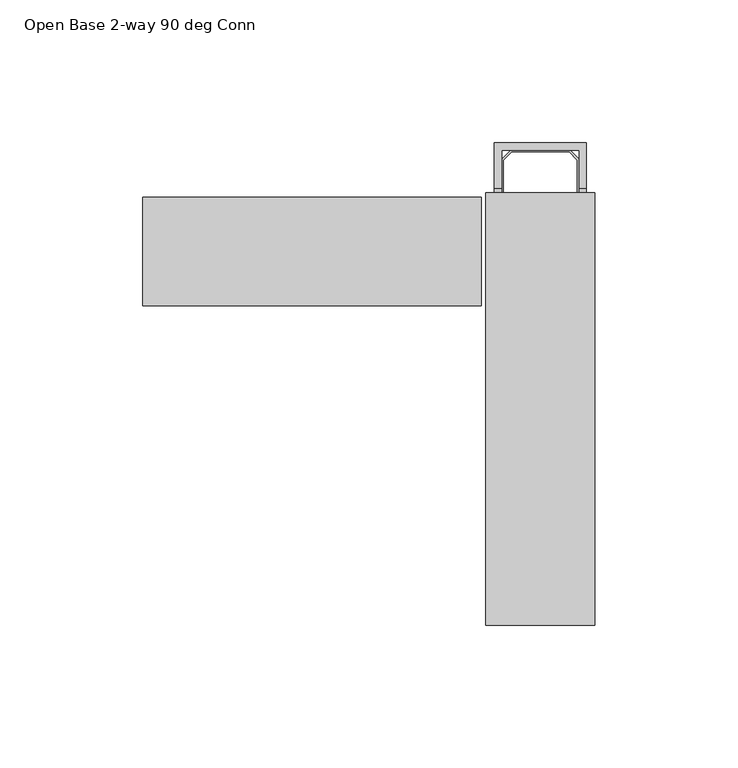
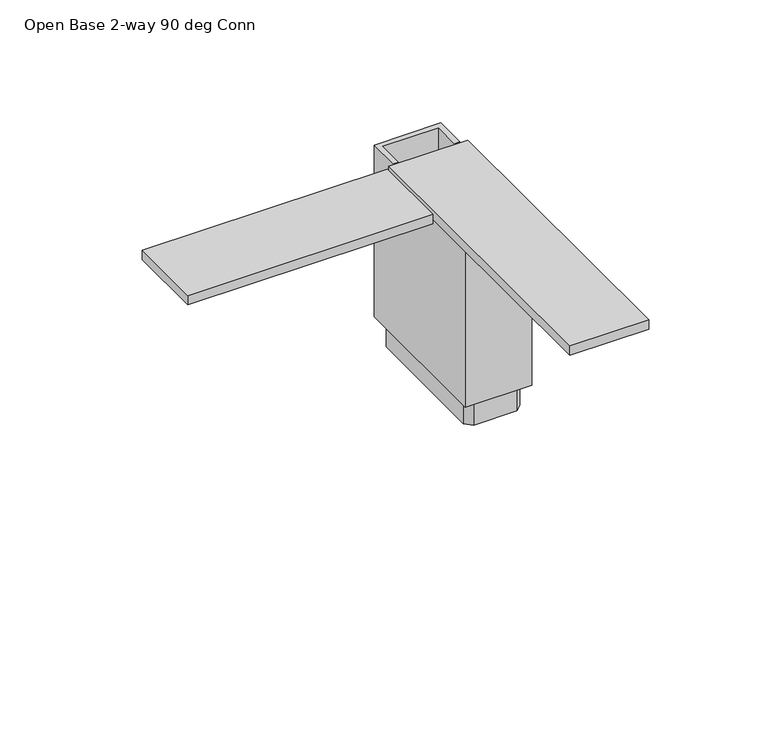
"""IFC4 building model written with IfcOpenShell, lengths in millimetres: furniture geometry, Open Base 2-way 90 deg Conn."""

import ifcopenshell
import ifcopenshell.guid

model = None  # the IFC model being written
_history = None  # IfcOwnerHistory: only IFC2X3 demands one
_inside = {}  # id of a spatial element -> (the spatial element, [elements in it])
_under = {}  # id of a project, library or spatial element -> (it, [spatial elements below it])
_declared = {}  # id of a project -> (the project, [libraries it declares])
_typed = {}  # id of a type object -> (the type object, [elements of that type])
_made_of = {}  # id of a material, layer set ... -> (it, [elements and type objects made of it])


def new_model(schema):
    """Start an empty IFC model of exactly this schema.

    Asked for "IFC4X3", IfcOpenShell would pick the latest addendum, in which some entities
    have other attributes; the version numbers below select the first issue.
    IFC2X3 requires an IfcOwnerHistory on every rooted entity: one is made here for all.
    """
    global model, _history
    if schema == "IFC4X3":
        model = ifcopenshell.file(schema_version=(4, 3, 0, 0))
    else:
        model = ifcopenshell.file(schema=schema)
    _inside.clear()
    _under.clear()
    _declared.clear()
    _typed.clear()
    _made_of.clear()
    _history = None
    if model.schema == "IFC2X3":
        org = make("IfcOrganization", Name="unknown")
        user = make(
            "IfcPersonAndOrganization",
            ThePerson=make("IfcPerson", FamilyName="unknown"),
            TheOrganization=org,
        )
        app = make(
            "IfcApplication",
            ApplicationDeveloper=org,
            Version="unknown",
            ApplicationFullName="unknown",
            ApplicationIdentifier="unknown",
        )
        _history = make(
            "IfcOwnerHistory",
            OwningUser=user,
            OwningApplication=app,
            ChangeAction="ADDED",
            CreationDate=0,
        )
    return model


def make(cls, **values):
    """One entity of the class cls with the attributes given. An attribute that is None is left unset."""
    return model.create_entity(
        cls, **{name: value for name, value in values.items() if value is not None}
    )


def rooted(cls, **values):
    """An entity with a GlobalId (a new one), such as an element, a storey or a relation."""
    return make(cls, GlobalId=ifcopenshell.guid.new(), OwnerHistory=_history, **values)


def si_unit(unit_type, name, prefix=None):
    """IfcSIUnit, for example si_unit("LENGTHUNIT", "METRE", prefix="MILLI")."""
    return make("IfcSIUnit", UnitType=unit_type, Prefix=prefix, Name=name)


def assignment(units):
    """IfcUnitAssignment: the units of a project."""
    return None if units is None else make("IfcUnitAssignment", Units=units)


def point(xyz):
    """IfcCartesianPoint."""
    return None if xyz is None else make("IfcCartesianPoint", Coordinates=xyz)


def direction(xyz):
    """IfcDirection."""
    return None if xyz is None else make("IfcDirection", DirectionRatios=xyz)


def frame(location, z_axis=None, x_axis=None):
    """IfcAxis2Placement3D, a coordinate frame: its origin and axes. An axis left out is left unset."""
    return make(
        "IfcAxis2Placement3D",
        Location=point(location),
        Axis=direction(z_axis),
        RefDirection=direction(x_axis),
    )


def origin():
    """The frame at (0, 0, 0) with its axes left unset."""
    return frame((0.0, 0.0, 0.0))


def origin_with_axes():
    """The frame at (0, 0, 0) with the z axis (0, 0, 1) and the x axis (1, 0, 0) written out."""
    return frame((0.0, 0.0, 0.0), z_axis=(0.0, 0.0, 1.0), x_axis=(1.0, 0.0, 0.0))


def place(relative_to, where):
    """IfcLocalPlacement: puts the frame where relative to a parent placement (None: the world)."""
    return make(
        "IfcLocalPlacement", PlacementRelTo=relative_to, RelativePlacement=where
    )


def context(
    kind, dimensions, precision=None, world=None, true_north=None, identifier=None
):
    """IfcGeometricRepresentationContext, for example the 3D "Model" context."""
    return make(
        "IfcGeometricRepresentationContext",
        ContextIdentifier=identifier,
        ContextType=kind,
        CoordinateSpaceDimension=dimensions,
        Precision=precision,
        WorldCoordinateSystem=world,
        TrueNorth=true_north,
    )


def project(units=None, contexts=None):
    """IfcProject with its units and contexts."""
    return rooted(
        "IfcProject",
        Name="project",
        RepresentationContexts=contexts,
        UnitsInContext=assignment(units),
    )


def spatial(cls, under=None, at=None, **own):
    """A site, building, storey or space (cls), placed at a placement, below another one or the project."""
    s = rooted(cls, ObjectPlacement=at, **own)
    if under is not None:
        _under.setdefault(under.id(), (under, []))[1].append(s)
    return s


def polyline(points):
    """IfcPolyline through the points."""
    return make("IfcPolyline", Points=[point(p) for p in points])


def outline(outer, holes=None, kind="AREA"):
    """IfcArbitraryClosedProfileDef: a profile drawn as a closed curve; with holes, ...WithVoids."""
    if holes is None:
        return make("IfcArbitraryClosedProfileDef", ProfileType=kind, OuterCurve=outer)
    return make(
        "IfcArbitraryProfileDefWithVoids",
        ProfileType=kind,
        OuterCurve=outer,
        InnerCurves=holes,
    )


def extrude(swept, where, along, depth):
    """IfcExtrudedAreaSolid: the profile swept, set in the frame where, extruded along a direction by depth."""
    return make(
        "IfcExtrudedAreaSolid",
        SweptArea=swept,
        Position=where,
        ExtrudedDirection=direction(along),
        Depth=depth,
    )


def faces_of(points, faces, orient=None, outer=None):
    """IfcFace entities. A face is a list of loops; a loop is a list of indices into points, from 0.

    orient and outer hold one flag for each loop. By default every Orientation is true, the
    first loop of a face is its IfcFaceOuterBound and the others are IfcFaceBound.
    """
    made = []
    for i, loops in enumerate(faces):
        bounds = []
        for j, loop in enumerate(loops):
            is_outer = j == 0 if outer is None else outer[i][j]
            bounds.append(
                make(
                    "IfcFaceOuterBound" if is_outer else "IfcFaceBound",
                    Bound=make("IfcPolyLoop", Polygon=[points[k] for k in loop]),
                    Orientation=True if orient is None else orient[i][j],
                )
            )
        made.append(make("IfcFace", Bounds=bounds))
    return made


def faceted_brep(points, faces, orient=None, outer=None, voids=None):
    """IfcFacetedBrep: a solid bounded by flat faces; with voids (closed shells), ...WithVoids."""
    shared = [point(p) for p in points]
    hull = make("IfcClosedShell", CfsFaces=faces_of(shared, faces, orient, outer))
    if voids is None:
        return make("IfcFacetedBrep", Outer=hull)
    return make(
        "IfcFacetedBrepWithVoids",
        Outer=hull,
        Voids=[
            make(cls, CfsFaces=faces_of(shared, fs, o, b)) for cls, fs, o, b in voids
        ],
    )


def shape(context_of_items, identifier, shape_type, items):
    """IfcShapeRepresentation: the items that make up one representation, for example the "Body"."""
    return make(
        "IfcShapeRepresentation",
        ContextOfItems=context_of_items,
        RepresentationIdentifier=identifier,
        RepresentationType=shape_type,
        Items=items,
    )


def source(mapping_origin, context_of_items, identifier, shape_type, items):
    """IfcRepresentationMap: a shape defined once, which mapped items show again and again."""
    return make(
        "IfcRepresentationMap",
        MappingOrigin=mapping_origin,
        MappedRepresentation=shape(context_of_items, identifier, shape_type, items),
    )


def transform(
    local_origin,
    x_axis=None,
    y_axis=None,
    z_axis=None,
    scale=None,
    scale2=None,
    scale3=None,
    uniform=True,
):
    """IfcCartesianTransformationOperator3D, or its non-uniform kind. x_axis, y_axis, z_axis: its Axis1, 2, 3."""
    if uniform:
        return make(
            "IfcCartesianTransformationOperator3D",
            Axis1=direction(x_axis),
            Axis2=direction(y_axis),
            LocalOrigin=point(local_origin),
            Scale=scale,
            Axis3=direction(z_axis),
        )
    return make(
        "IfcCartesianTransformationOperator3DnonUniform",
        Axis1=direction(x_axis),
        Axis2=direction(y_axis),
        LocalOrigin=point(local_origin),
        Scale=scale,
        Axis3=direction(z_axis),
        Scale2=scale2,
        Scale3=scale3,
    )


def mapped(mapping_source, mapping_target):
    """IfcMappedItem: shows the shape of a source again, moved by a transform."""
    return make(
        "IfcMappedItem", MappingSource=mapping_source, MappingTarget=mapping_target
    )


def made_of(thing, what):
    """Note that an element or type object is made of a material, layer set ...; save() writes the relation."""
    if what is not None:
        _made_of.setdefault(what.id(), (what, []))[1].append(thing)
    return thing


def element(
    cls,
    number,
    at=None,
    inside=None,
    cuts=None,
    type_object=None,
    material=None,
    context=None,
    identifier="Body",
    shape_type=None,
    held_by="IfcProductDefinitionShape",
    body=None,
    shapes=None,
    **own,
):
    """One element of the class cls, such as IfcWall. Its Tag is "e" and its number.

    at: its placement. inside: the storey or other place that contains it. cuts: it is an
    opening in that element (IfcRelVoidsElement). A single representation is given by context,
    identifier, shape_type and body (its items); several are given by shapes. held_by: the class
    of the entity that holds the representations. save() writes the other relations.
    """
    e = rooted(cls, Tag="e%d" % number, ObjectPlacement=at, **own)
    if body is not None:
        shapes = [shape(context, identifier, shape_type, body)]
    if shapes is not None:
        e.Representation = make(held_by, Representations=shapes)
    if inside is not None:
        _inside.setdefault(inside.id(), (inside, []))[1].append(e)
    if cuts is not None:
        rooted(
            "IfcRelVoidsElement", RelatingBuildingElement=cuts, RelatedOpeningElement=e
        )
    if type_object is not None:
        _typed.setdefault(type_object.id(), (type_object, []))[1].append(e)
    return made_of(e, material)


def aggregate(whole, parts):
    """IfcRelAggregates: a whole, such as a stair, and the parts it consists of."""
    return rooted("IfcRelAggregates", RelatingObject=whole, RelatedObjects=parts)


def save(model, path):
    """Write the relations noted so far, then the file.

    IfcRelAggregates (storeys below a building ...), IfcRelContainedInSpatialStructure (elements
    in a storey), IfcRelDefinesByType, IfcRelAssociatesMaterial and IfcRelDeclares: one each for
    every whole, place, type object, material and project.
    """
    for whole, parts in _under.values():
        aggregate(whole, parts)
    for where, things in _inside.values():
        rooted(
            "IfcRelContainedInSpatialStructure",
            RelatedElements=things,
            RelatingStructure=where,
        )
    for kind, things in _typed.values():
        rooted("IfcRelDefinesByType", RelatedObjects=things, RelatingType=kind)
    for what, things in _made_of.values():
        rooted("IfcRelAssociatesMaterial", RelatedObjects=things, RelatingMaterial=what)
    for by, libraries in _declared.values():
        rooted("IfcRelDeclares", RelatingContext=by, RelatedDefinitions=libraries)
    model.write(path)


def open_base_2_way_90_deg_conn_979a1249(model_context):
    return source(origin(), model_context, "Body", "SolidModel", [
        extrude(outline(polyline([(58.1493037, -170.1755566), (20.0493037, -170.1755566), (20.0493037, -18.6645587), (58.1493037, -18.6645587), (58.1493037, -170.1755566)])), frame((0.0, 0.0, 96.5962), z_axis=(0.0, 0.0, 1.0), x_axis=(1.0, 0.0, 0.0)), (0.0, 0.0, 1.0), 4.7498),
        extrude(outline(polyline([(18.4618035, -20.2520587), (18.4618035, -58.3520587), (-100.1688963, -58.3520587), (-100.1688963, -20.2520587), (18.4618035, -20.2520587)])), frame((0.0, 0.0, 96.5962), z_axis=(0.0, 0.0, 1.0), x_axis=(1.0, 0.0, 0.0)), (0.0, 0.0, 1.0), 4.7498),
        faceted_brep([(55.2283037, -1.2020587, 100.5586), (22.9703037, -1.2020587, 100.5586), (22.9703037, -17.0770587, 100.5586), (25.5103037, -17.0770587, 100.5586), (25.5103037, -3.7420587, 100.5586), (52.6883037, -3.7420587, 100.5586), (52.6883037, -17.0770587, 100.5586), (55.2283037, -17.0770587, 100.5586), (22.9703037, -77.4020587, 100.5586), (55.2283037, -77.4020587, 100.5586), (55.2283037, -61.5270587, 100.5586), (52.6883037, -61.5270587, 100.5586), (52.6883037, -74.8620587, 100.5586), (25.5103037, -74.8620587, 100.5586), (25.5103037, -61.5270587, 100.5586), (22.9703037, -61.5270587, 100.5586), (55.2283037, -1.2020587, 12.7), (55.2283037, -77.4020587, 12.7), (22.9703037, -77.4020587, 12.7), (22.9703037, -1.2020587, 12.7), (52.6883037, -3.7420587, 12.7), (25.5103037, -3.7420587, 12.7), (25.5103037, -74.8620587, 12.7), (52.6883037, -74.8620587, 12.7), (22.9703037, -61.5270587, 96.5962), (22.9703037, -17.0770587, 96.5962), (55.2283037, -17.0770587, 96.5962), (55.2283037, -61.5270587, 96.5962), (52.6883037, -61.5270587, 96.5962), (52.6883037, -17.0770587, 96.5962), (25.5103037, -17.0770587, 96.5962), (25.5103037, -61.5270587, 96.5962)], [[[0, 1, 2, 3, 4, 5, 6, 7]], [[8, 9, 10, 11, 12, 13, 14, 15]], [[16, 17, 18, 19], [20, 21, 22, 23]], [[1, 0, 16, 19]], [[19, 18, 8, 15, 24, 25, 2, 1]], [[9, 8, 18, 17]], [[17, 16, 0, 7, 26, 27, 10, 9]], [[20, 23, 12, 11, 28, 29, 6, 5]], [[13, 12, 23, 22]], [[22, 21, 4, 3, 30, 31, 14, 13]], [[5, 4, 21, 20]], [[26, 29, 28, 27]], [[30, 25, 24, 31]], [[29, 26, 7, 6]], [[25, 30, 3, 2]], [[27, 28, 11, 10]], [[31, 24, 15, 14]]]),
        extrude(outline(polyline([(49.5133037, -3.7420587), (52.6883037, -6.9170587), (52.6883037, -71.6870587), (49.5133037, -74.8620587), (28.6853037, -74.8620587), (25.5103037, -71.6870587), (25.5103037, -6.9170587), (28.6853037, -3.7420587), (49.5133037, -3.7420587)]), holes=[polyline([(51.8945537, -7.2458408), (49.1845217, -4.5358087), (29.0140858, -4.5358087), (26.3040537, -7.2458408), (26.3040537, -71.3582767), (29.0140858, -74.0683087), (49.1845217, -74.0683087), (51.8945537, -71.3582767), (51.8945537, -7.2458408)])]), origin_with_axes(), (0.0, 0.0, 1.0), 12.7),
    ])


if __name__ == "__main__":
    model = new_model("IFC4")
    model_context = context("Model", 3, world=origin())
    ifc_project = project(units=[si_unit("LENGTHUNIT", "METRE", prefix="MILLI")], contexts=[model_context])
    site = spatial("IfcSite", under=ifc_project)
    building = spatial("IfcBuilding", under=site)
    placement = place(None, origin())
    open_base_2_way_90_deg_conn_shape = open_base_2_way_90_deg_conn_979a1249(model_context)
    element("IfcFurniture", 1, ObjectType="Open Base 2-way 90 deg Conn", at=placement, inside=building, context=model_context, shape_type="MappedRepresentation", body=[
        mapped(open_base_2_way_90_deg_conn_shape, transform((0.0, 0.0, 0.0), x_axis=(1.0, 0.0, 0.0), y_axis=(0.0, 1.0, 0.0), z_axis=(0.0, 0.0, 1.0))),
    ])
    save(model, "model.ifc")
